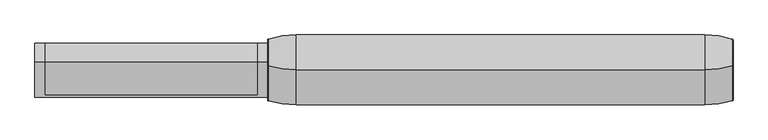
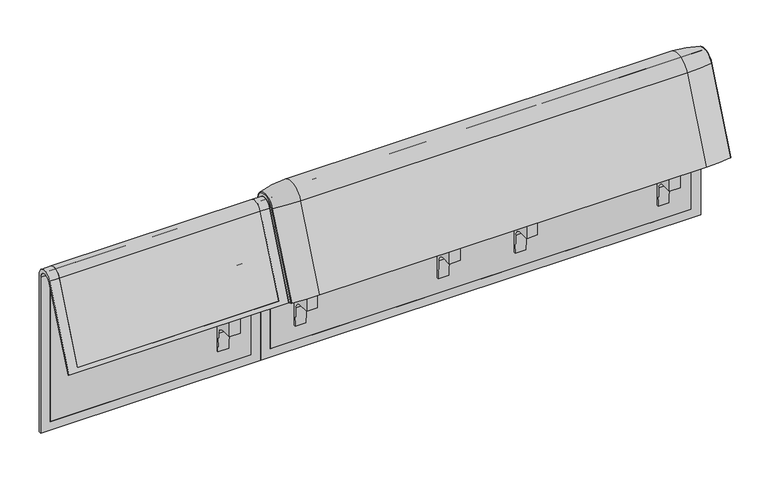
"""IFC4 building model written with IfcOpenShell, lengths in millimetres: furniture geometry."""

from ifc_helpers import new_model, si_unit, point, frame, frame_2d, origin, place, context, project, spatial, polyline, circle_curve, ellipse_curve, trimmed, segment, composite_curve, outline, extrude, source, transform, mapped, element, save
from ifc_brep_helpers import plane_surface, cylinder_surface, revolved_surface, advanced_brep


def furniture_2529b10c(model_context):
    return source(origin(), model_context, "Body", "SolidModel", [
        extrude(outline(composite_curve([segment(trimmed(circle_curve(frame_2d((305.0000061, 379.9223263)), 30.0), [point((305.0000061, 349.9223263))], [point((335.0000061, 379.9223263))], True, "CARTESIAN"), True, "CONTINUOUS"), segment(polyline([(335.0000061, 379.9223263), (335.0000061, 515.0657595)]), True, "CONTINUOUS"), segment(trimmed(circle_curve(frame_2d((305.0000061, 515.0657595)), 30.0), [point((335.0000061, 515.0657595))], [point((316.7219399, 542.6809051))], True, "CARTESIAN"), True, "CONTINUOUS"), segment(polyline([(316.7219399, 542.6809051), (257.4911714, 567.8228747)]), True, "CONTINUOUS"), segment(trimmed(circle_curve(frame_2d((251.6302045, 554.0153019)), 15.0), [point((257.4911714, 567.8228747))], [point((238.0355877, 560.3545758))], True, "CARTESIAN"), True, "CONTINUOUS"), segment(polyline([(238.0355877, 560.3545758), (222.2725218, 526.5505721), (213.7507451, 529.5682915), (296.3054528, 724.0549949)]), True, "CONTINUOUS"), segment(trimmed(circle_curve(frame_2d((322.520748, 712.9272623)), 28.479258), [point((296.3054528, 724.0549949))], [point((351.0000061, 712.9272623))], False, "CARTESIAN"), True, "CONTINUOUS"), segment(polyline([(351.0000061, 712.9272623), (351.0000061, 197.0551771), (343.3075759, 197.0551771), (339.4064861, 271.492405)]), True, "CONTINUOUS"), segment(trimmed(circle_curve(frame_2d((309.4476, 269.9223263)), 30.0), [point((339.4064861, 271.492405))], [point((309.4476, 299.9223263))], True, "CARTESIAN"), True, "CONTINUOUS"), segment(polyline([(309.4476, 299.9223263), (270.0000061, 299.9223263), (270.0000061, 359.9223263), (275.0000061, 359.9223263)]), True, "CONTINUOUS"), segment(trimmed(circle_curve(frame_2d((285.0000061, 359.9223263)), 10.0), [point((275.0000061, 359.9223263))], [point((285.0000061, 349.9223263))], True, "CARTESIAN"), True, "CONTINUOUS"), segment(polyline([(285.0000061, 349.9223263), (305.0000061, 349.9223263)]), True, "CONTINUOUS")], self_intersect=False), holes=[composite_curve([segment(polyline([(337.5000061, 576.3274105), (337.5000061, 716.7072663)]), True, "CONTINUOUS"), segment(trimmed(circle_curve(frame_2d((322.5000061, 716.7072663)), 15.0), [point((337.5000061, 716.7072663))], [point((308.9053893, 723.0465402))], True, "CARTESIAN"), True, "CONTINUOUS"), segment(polyline([(308.9053893, 723.0465402), (253.6256191, 604.4986904)]), True, "CONTINUOUS"), segment(trimmed(circle_curve(frame_2d((271.7517748, 596.0463251)), 20.0), [point((253.6256191, 604.4986904))], [point((265.0756376, 577.1934953))], True, "CARTESIAN"), True, "CONTINUOUS"), segment(polyline([(265.0756376, 577.1934953), (314.1406626, 559.8186587)]), True, "CONTINUOUS"), segment(trimmed(circle_curve(frame_2d((319.9867182, 576.3274105)), 17.5132879), [point((314.1406626, 559.8186587))], [point((337.5000061, 576.3274105))], True, "CARTESIAN"), True, "CONTINUOUS")], self_intersect=False)]), frame((531.0195403, 0.0, 0.0), z_axis=(1.0, 0.0, 0.0), x_axis=(0.0, 1.0, 0.0)), (0.0, 0.0, 1.0), 40.0),
        extrude(outline(composite_curve([segment(trimmed(circle_curve(frame_2d((305.0000061, 379.9223263)), 30.0), [point((305.0000061, 349.9223263))], [point((335.0000061, 379.9223263))], True, "CARTESIAN"), True, "CONTINUOUS"), segment(polyline([(335.0000061, 379.9223263), (335.0000061, 515.0657595)]), True, "CONTINUOUS"), segment(trimmed(circle_curve(frame_2d((305.0000061, 515.0657595)), 30.0), [point((335.0000061, 515.0657595))], [point((316.7219399, 542.6809051))], True, "CARTESIAN"), True, "CONTINUOUS"), segment(polyline([(316.7219399, 542.6809051), (257.4911714, 567.8228747)]), True, "CONTINUOUS"), segment(trimmed(circle_curve(frame_2d((251.6302045, 554.0153019)), 15.0), [point((257.4911714, 567.8228747))], [point((238.0355877, 560.3545758))], True, "CARTESIAN"), True, "CONTINUOUS"), segment(polyline([(238.0355877, 560.3545758), (222.2725218, 526.5505721), (213.7507451, 529.5682915), (296.3054528, 724.0549949)]), True, "CONTINUOUS"), segment(trimmed(circle_curve(frame_2d((322.520748, 712.9272623)), 28.479258), [point((296.3054528, 724.0549949))], [point((351.0000061, 712.9272623))], False, "CARTESIAN"), True, "CONTINUOUS"), segment(polyline([(351.0000061, 712.9272623), (351.0000061, 197.0551771), (343.3075759, 197.0551771), (339.4064861, 271.492405)]), True, "CONTINUOUS"), segment(trimmed(circle_curve(frame_2d((309.4476, 269.9223263)), 30.0), [point((339.4064861, 271.492405))], [point((309.4476, 299.9223263))], True, "CARTESIAN"), True, "CONTINUOUS"), segment(polyline([(309.4476, 299.9223263), (270.0000061, 299.9223263), (270.0000061, 359.9223263), (275.0000061, 359.9223263)]), True, "CONTINUOUS"), segment(trimmed(circle_curve(frame_2d((285.0000061, 359.9223263)), 10.0), [point((275.0000061, 359.9223263))], [point((285.0000061, 349.9223263))], True, "CARTESIAN"), True, "CONTINUOUS"), segment(polyline([(285.0000061, 349.9223263), (305.0000061, 349.9223263)]), True, "CONTINUOUS")], self_intersect=False), holes=[composite_curve([segment(polyline([(337.5000061, 576.3274105), (337.5000061, 716.7072663)]), True, "CONTINUOUS"), segment(trimmed(circle_curve(frame_2d((322.5000061, 716.7072663)), 15.0), [point((337.5000061, 716.7072663))], [point((308.9053893, 723.0465402))], True, "CARTESIAN"), True, "CONTINUOUS"), segment(polyline([(308.9053893, 723.0465402), (253.6256191, 604.4986904)]), True, "CONTINUOUS"), segment(trimmed(circle_curve(frame_2d((271.7517748, 596.0463251)), 20.0), [point((253.6256191, 604.4986904))], [point((265.0756376, 577.1934953))], True, "CARTESIAN"), True, "CONTINUOUS"), segment(polyline([(265.0756376, 577.1934953), (314.1406626, 559.8186587)]), True, "CONTINUOUS"), segment(trimmed(circle_curve(frame_2d((319.9867182, 576.3274105)), 17.5132879), [point((314.1406626, 559.8186587))], [point((337.5000061, 576.3274105))], True, "CARTESIAN"), True, "CONTINUOUS")], self_intersect=False)]), frame((1061.0091339, 0.0, 0.0), z_axis=(1.0, 0.0, 0.0), x_axis=(0.0, 1.0, 0.0)), (0.0, 0.0, 1.0), 40.0),
        advanced_brep(
        [(1224.0215056, 351.0000061, 101.8476716), (1224.0215056, 359.7858817, 101.8476716), (1224.0215056, 359.7858817, 720.3417731), (1224.0215056, 292.4403877, 733.7122262), (1224.0215056, 170.1966807, 437.98305), (1224.0215056, 175.0204081, 435.9866665), (1224.0215056, 296.2458652, 723.9869215), (1224.0215056, 351.0000061, 712.9272623), (-407.9740803, 351.0000061, 101.8476716), (-407.9740803, 351.0000061, 712.9272623), (-407.9740803, 296.2720241, 723.9759107), (-407.9740803, 175.0204081, 435.9866665), (-407.9740803, 170.1966807, 437.98305), (-407.9740803, 292.4403877, 733.7122262), (-407.9740803, 359.7858817, 720.3417731), (-407.9740803, 359.7858817, 101.8476716), (1189.1049615, 292.4403877, 733.7122262), (1189.1049615, 176.0980387, 452.25948), (-373.0906244, 176.0980387, 452.25948), (-373.0906244, 292.4403877, 733.7122262), (-373.0906244, 296.2458652, 723.9869215), (-373.0906244, 181.0136548, 450.2250668), (1189.1049615, 181.0136548, 450.2250668), (1189.1049615, 296.2458652, 723.9869215), (1189.1049615, 351.0000061, 712.9272623), (1189.1049615, 351.0000061, 135.3766997), (-373.0906244, 351.0000061, 135.3766997), (-373.0906244, 351.0000061, 712.9272623), (-373.0906244, 359.7858817, 720.3417731), (-373.0906244, 359.7858817, 135.3766997), (1189.1049615, 359.7858817, 135.3766997), (1189.1049615, 359.7858817, 720.3417731)],
        [
            (0, 1),
            (1, 2),
            (2, 3, circle_curve(frame((1224.0215056, 324.7858817, 720.3417731), z_axis=(1.0, 0.0, 0.0), x_axis=(0.0, -1.0, 0.0)), 35.0)),
            (3, 4),
            (4, 5),
            (5, 6),
            (6, 7, circle_curve(frame((1224.0215056, 322.520748, 712.9272623), z_axis=(-1.0, 0.0, 0.0), x_axis=(0.0, -1.0, 0.0)), 28.479258)),
            (7, 0),
            (8, 9),
            (9, 10, circle_curve(frame((-407.9740803, 322.520748, 712.9272623), z_axis=(1.0, 0.0, 0.0), x_axis=(0.0, -1.0, 0.0)), 28.479258)),
            (10, 11),
            (11, 12),
            (12, 13),
            (13, 14, circle_curve(frame((-407.9740803, 324.7858817, 720.3417731), z_axis=(-1.0, 0.0, 0.0), x_axis=(0.0, -1.0, 0.0)), 35.0)),
            (14, 15),
            (15, 8),
            (3, 16),
            (16, 17),
            (17, 18),
            (18, 19),
            (19, 13),
            (12, 4),
            (11, 5),
            (10, 20),
            (20, 21),
            (21, 22),
            (22, 23),
            (23, 6),
            (7, 24),
            (24, 25),
            (25, 26),
            (26, 27),
            (27, 9),
            (8, 0),
            (15, 1),
            (14, 28),
            (28, 29),
            (29, 30),
            (30, 31),
            (31, 2),
            (31, 16, circle_curve(frame((1189.1049615, 324.7858817, 720.3417731), z_axis=(1.0, 0.0, 0.0), x_axis=(0.0, -1.0, 0.0)), 35.0)),
            (19, 28, circle_curve(frame((-373.0906244, 324.7858817, 720.3417731), z_axis=(-1.0, 0.0, 0.0), x_axis=(0.0, -1.0, 0.0)), 35.0)),
            (23, 24, circle_curve(frame((1189.1049615, 322.520748, 712.9272623), z_axis=(-1.0, 0.0, 0.0), x_axis=(0.0, -1.0, 0.0)), 28.479258)),
            (27, 20, circle_curve(frame((-373.0906244, 322.520748, 712.9272623), z_axis=(1.0, 0.0, 0.0), x_axis=(0.0, -1.0, 0.0)), 28.479258)),
            (22, 17),
            (30, 25),
            (26, 29),
            (18, 21),
        ],
        [
            plane_surface(frame((1224.0215056, 359.7858817, 101.8476716), z_axis=(1.0, 0.0, 0.0), x_axis=(0.0, 1.0, 0.0))),
            plane_surface(frame((-407.9740803, 359.7858817, 101.8476716), z_axis=(-1.0, 0.0, 0.0), x_axis=(0.0, -1.0, 0.0))),
            plane_surface(frame((1224.0215056, 292.4403877, 733.7122262), z_axis=(0.0, -0.9241569717933176, 0.3820129467515535), x_axis=(-1.0, 0.0, 0.0))),
            plane_surface(frame((1224.0215056, 170.1966807, 437.98305), z_axis=(0.0, -0.3824103944198279, -0.9239925812687414), x_axis=(-1.0, 0.0, 0.0))),
            plane_surface(frame((1224.0215056, 175.0204081, 435.9866665), z_axis=(0.0, 0.921678643444566, -0.3879542218073993), x_axis=(-1.0, 0.0, 0.0))),
            plane_surface(frame((1224.0215056, 351.0000061, 712.9272623), z_axis=(0.0, -1.0, 0.0), x_axis=(-1.0, 0.0, 0.0))),
            plane_surface(frame((1224.0215056, 351.0000061, 101.8476716), z_axis=(0.0, 0.0, -1.0), x_axis=(-1.0, 0.0, 0.0))),
            plane_surface(frame((1224.0215056, 359.7858817, 101.8476716), z_axis=(0.0, 1.0, 0.0), x_axis=(-1.0, 0.0, 0.0))),
            cylinder_surface(frame((-407.9740803, 324.7858817, 720.3417731), z_axis=(1.0, 0.0, 0.0), x_axis=(0.0, -1.0, 0.0)), 35.0),
            revolved_surface(polyline([(1189.1049615, 294.04149, 712.9272623), (1224.0215056, 294.04149, 712.9272623)]), (-407.9740803, 322.520748, 712.9272623), (-1.0, 0.0, 0.0)),
            revolved_surface(polyline([(-407.9740803, 294.04149, 712.9272623), (-373.0906244, 294.04149, 712.9272623)]), (-407.9740803, 322.520748, 712.9272623), (-1.0, 0.0, 0.0)),
            plane_surface(frame((1189.1049615, 359.7858817, 135.3766997), z_axis=(-1.0, 0.0, 0.0), x_axis=(0.0, 1.0, 0.0))),
            plane_surface(frame((-373.0906244, 359.7858817, 135.3766997), z_axis=(1.0, 0.0, 0.0), x_axis=(0.0, -1.0, 0.0))),
            plane_surface(frame((1189.1049615, 166.9120641, 456.0612553), z_axis=(0.0, 0.38241039441982605, 0.9239925812687422), x_axis=(-1.0, 0.0, 0.0))),
            plane_surface(frame((1189.1049615, 344.7858817, 135.3766997), z_axis=(0.0, 0.0, 1.0), x_axis=(-1.0, 0.0, 0.0))),
        ],
        [
            (0, [[1, 2, 3, 4, 5, 6, 7, 8]]),
            (1, [[9, 10, 11, 12, 13, 14, 15, 16]]),
            (2, [[-4, 17, 18, 19, 20, 21, -13, 22]]),
            (3, [[-5, -22, -12, 23]]),
            (4, [[-6, -23, -11, 24, 25, 26, 27, 28]]),
            (5, [[-8, 29, 30, 31, 32, 33, -9, 34]]),
            (6, [[-1, -34, -16, 35]]),
            (7, [[-2, -35, -15, 36, 37, 38, 39, 40]]),
            (8, [[-3, -40, 41, -17]]),
            (8, [[-14, -21, 42, -36]]),
            (9, [[-7, -28, 43, -29]]),
            (10, [[-10, -33, 44, -24]]),
            (11, [[45, -18, -41, -39, 46, -30, -43, -27]]),
            (12, [[47, -37, -42, -20, 48, -25, -44, -32]]),
            (13, [[-45, -26, -48, -19]]),
            (14, [[-46, -38, -47, -31]]),
        ],
    ),
        advanced_brep(
        [(1189.1049615, 351.0000061, 135.3766997), (1189.1049615, 359.7858817, 135.3766997), (1189.1049615, 359.7858817, 720.3417731), (1189.1049615, 292.4403877, 733.7122262), (1189.1049615, 176.0980387, 452.25948), (1189.1049615, 181.0136548, 450.2250668), (1189.1049615, 296.2458652, 723.9869215), (1189.1049615, 351.0000061, 712.9272623), (-373.0906244, 351.0000061, 135.3766997), (-373.0906244, 351.0000061, 712.9272623), (-373.0906244, 296.2720241, 723.9759107), (-373.0906244, 181.0136548, 450.2250668), (-373.0906244, 176.0980387, 452.25948), (-373.0906244, 292.4403877, 733.7122262), (-373.0906244, 359.7858817, 720.3417731), (-373.0906244, 359.7858817, 135.3766997)],
        [
            (0, 1),
            (1, 2),
            (2, 3, circle_curve(frame((1189.1049615, 324.7858817, 720.3417731), z_axis=(1.0, 0.0, 0.0), x_axis=(0.0, -1.0, 0.0)), 35.0)),
            (3, 4),
            (4, 5),
            (5, 6),
            (6, 7, circle_curve(frame((1189.1049615, 322.520748, 712.9272623), z_axis=(-1.0, 0.0, 0.0), x_axis=(0.0, -1.0, 0.0)), 28.479258)),
            (7, 0),
            (8, 9),
            (9, 10, circle_curve(frame((-373.0906244, 322.520748, 712.9272623), z_axis=(1.0, 0.0, 0.0), x_axis=(0.0, -1.0, 0.0)), 28.479258)),
            (10, 11),
            (11, 12),
            (12, 13),
            (13, 14, circle_curve(frame((-373.0906244, 324.7858817, 720.3417731), z_axis=(-1.0, 0.0, 0.0), x_axis=(0.0, -1.0, 0.0)), 35.0)),
            (14, 15),
            (15, 8),
            (3, 13),
            (12, 4),
            (11, 5),
            (10, 6),
            (7, 9),
            (8, 0),
            (15, 1),
            (14, 2),
        ],
        [
            plane_surface(frame((1189.1049615, 359.7858817, 135.3766997), z_axis=(1.0, 0.0, 0.0), x_axis=(0.0, 1.0, 0.0))),
            plane_surface(frame((-373.0906244, 359.7858817, 135.3766997), z_axis=(-1.0, 0.0, 0.0), x_axis=(0.0, -1.0, 0.0))),
            plane_surface(frame((1189.1049615, 292.4403877, 733.7122262), z_axis=(0.0, -0.9241569717933176, 0.3820129467515535), x_axis=(-1.0, 0.0, 0.0))),
            plane_surface(frame((1189.1049615, 176.0980387, 452.25948), z_axis=(0.0, -0.38241039441982716, -0.9239925812687417), x_axis=(-1.0, 0.0, 0.0))),
            plane_surface(frame((1189.1049615, 181.0136548, 450.2250668), z_axis=(0.0, 0.921678643444566, -0.3879542218073993), x_axis=(-1.0, 0.0, 0.0))),
            plane_surface(frame((1189.1049615, 351.0000061, 712.9272623), z_axis=(0.0, -1.0, 0.0), x_axis=(-1.0, 0.0, 0.0))),
            plane_surface(frame((1189.1049615, 351.0000061, 135.3766997), z_axis=(0.0, 0.0, -1.0), x_axis=(-1.0, 0.0, 0.0))),
            plane_surface(frame((1189.1049615, 359.7858817, 135.3766997), z_axis=(0.0, 1.0, 0.0), x_axis=(-1.0, 0.0, 0.0))),
            cylinder_surface(frame((-373.0906244, 324.7858817, 720.3417731), z_axis=(1.0, 0.0, 0.0), x_axis=(0.0, -1.0, 0.0)), 35.0),
            revolved_surface(polyline([(-373.0906244, 294.04149, 712.9272623), (1189.1049615, 294.04149, 712.9272623)]), (-373.0906244, 322.520748, 712.9272623), (-1.0, 0.0, 0.0)),
        ],
        [
            (0, [[1, 2, 3, 4, 5, 6, 7, 8]]),
            (1, [[9, 10, 11, 12, 13, 14, 15, 16]]),
            (2, [[-4, 17, -13, 18]]),
            (3, [[-5, -18, -12, 19]]),
            (4, [[-6, -19, -11, 20]]),
            (5, [[-8, 21, -9, 22]]),
            (6, [[-1, -22, -16, 23]]),
            (7, [[-2, -23, -15, 24]]),
            (8, [[-3, -24, -14, -17]]),
            (9, [[-7, -20, -10, -21]]),
        ],
    ),
        extrude(outline(composite_curve([segment(trimmed(circle_curve(frame_2d((305.0000061, 379.9223263)), 30.0), [point((305.0000061, 349.9223263))], [point((335.0000061, 379.9223263))], True, "CARTESIAN"), True, "CONTINUOUS"), segment(polyline([(335.0000061, 379.9223263), (335.0000061, 515.0657595)]), True, "CONTINUOUS"), segment(trimmed(circle_curve(frame_2d((305.0000061, 515.0657595)), 30.0), [point((335.0000061, 515.0657595))], [point((316.7219399, 542.6809051))], True, "CARTESIAN"), True, "CONTINUOUS"), segment(polyline([(316.7219399, 542.6809051), (257.4911714, 567.8228747)]), True, "CONTINUOUS"), segment(trimmed(circle_curve(frame_2d((251.6302045, 554.0153019)), 15.0), [point((257.4911714, 567.8228747))], [point((238.0355877, 560.3545758))], True, "CARTESIAN"), True, "CONTINUOUS"), segment(polyline([(238.0355877, 560.3545758), (222.2725218, 526.5505721), (213.7507451, 529.5682915), (296.3054528, 724.0549949)]), True, "CONTINUOUS"), segment(trimmed(circle_curve(frame_2d((322.520748, 712.9272623)), 28.479258), [point((296.3054528, 724.0549949))], [point((351.0000061, 712.9272623))], False, "CARTESIAN"), True, "CONTINUOUS"), segment(polyline([(351.0000061, 712.9272623), (351.0000061, 197.0551771), (343.3075759, 197.0551771), (339.4064861, 271.492405)]), True, "CONTINUOUS"), segment(trimmed(circle_curve(frame_2d((309.4476, 269.9223263)), 30.0), [point((339.4064861, 271.492405))], [point((309.4476, 299.9223263))], True, "CARTESIAN"), True, "CONTINUOUS"), segment(polyline([(309.4476, 299.9223263), (270.0000061, 299.9223263), (270.0000061, 359.9223263), (275.0000061, 359.9223263)]), True, "CONTINUOUS"), segment(trimmed(circle_curve(frame_2d((285.0000061, 359.9223263)), 10.0), [point((275.0000061, 359.9223263))], [point((285.0000061, 349.9223263))], True, "CARTESIAN"), True, "CONTINUOUS"), segment(polyline([(285.0000061, 349.9223263), (305.0000061, 349.9223263)]), True, "CONTINUOUS")], self_intersect=False), holes=[composite_curve([segment(polyline([(337.5000061, 576.3274105), (337.5000061, 716.7072663)]), True, "CONTINUOUS"), segment(trimmed(circle_curve(frame_2d((322.5000061, 716.7072663)), 15.0), [point((337.5000061, 716.7072663))], [point((308.9053893, 723.0465402))], True, "CARTESIAN"), True, "CONTINUOUS"), segment(polyline([(308.9053893, 723.0465402), (253.6256191, 604.4986904)]), True, "CONTINUOUS"), segment(trimmed(circle_curve(frame_2d((271.7517748, 596.0463251)), 20.0), [point((253.6256191, 604.4986904))], [point((265.0756376, 577.1934953))], True, "CARTESIAN"), True, "CONTINUOUS"), segment(polyline([(265.0756376, 577.1934953), (314.1406626, 559.8186587)]), True, "CONTINUOUS"), segment(trimmed(circle_curve(frame_2d((319.9867182, 576.3274105)), 17.5132879), [point((314.1406626, 559.8186587))], [point((337.5000061, 576.3274105))], True, "CARTESIAN"), True, "CONTINUOUS")], self_intersect=False)]), frame((244.9947968, 0.0, 0.0), z_axis=(1.0, 0.0, 0.0), x_axis=(0.0, 1.0, 0.0)), (0.0, 0.0, 1.0), 40.0),
        advanced_brep(
        [(1124.0215056, 388.2902376, 100.5089435), (1221.8828771, 373.93893, 100.5089435), (1224.0215056, 371.0652495, 100.5089435), (1224.0215056, 359.7858817, 100.5089435), (-408.0071685, 359.7858817, 100.5089435), (-408.0071685, 371.0652495, 100.5089435), (-405.86854, 373.93893, 100.5089435), (-308.0071685, 388.2902376, 100.5089435), (-308.0071685, 388.2902376, 720.3417731), (1124.0215056, 388.2902376, 720.3417731), (1221.8828771, 373.93893, 720.3417731), (1224.0215056, 371.0652495, 720.3417731), (1224.0215056, 282.0164812, 738.0210907), (1224.0215056, 159.7723383, 442.2908598), (1224.0215056, 170.1962447, 437.9819952), (1224.0215056, 292.4403877, 733.7122262), (1224.0215056, 359.7858817, 720.3417731), (-408.0071685, 359.7858817, 720.3417731), (1124.0215056, 143.8537454, 448.8710282), (-308.0071685, 143.8537454, 448.8710282), (-405.86854, 157.1166065, 443.3886429), (-408.0071685, 159.7723383, 442.2908598), (-408.0071685, 170.1962447, 437.9819952), (1221.8828771, 157.1166065, 443.3886429), (1124.0215056, 266.0978884, 744.6012592), (-308.0071685, 266.0978884, 744.6012592), (1221.8828771, 279.3607494, 739.1188739), (-408.0071685, 292.4403877, 733.7122262), (-408.0071685, 282.0164812, 738.0210907), (-408.0071685, 371.0652495, 720.3417731), (-405.86854, 373.93893, 720.3417731), (-405.86854, 279.3607494, 739.1188739)],
        [
            (0, 1, circle_curve(frame((1124.0215056, 47.4569043, 100.5089435), z_axis=(0.0, 0.0, -1.0), x_axis=(0.0, -1.0, 0.0)), 340.8333333)),
            (1, 2, circle_curve(frame((1221.0215056, 371.0652495, 100.5089435), z_axis=(0.0, 0.0, -1.0), x_axis=(1.0, 0.0, 0.0)), 3.0)),
            (2, 3),
            (3, 4),
            (4, 5),
            (5, 6, circle_curve(frame((-405.0071685, 371.0652495, 100.5089435), z_axis=(0.0, 0.0, -1.0), x_axis=(-1.0, 0.0, 0.0)), 3.0)),
            (6, 7, circle_curve(frame((-308.0071685, 47.4569043, 100.5089435), z_axis=(0.0, 0.0, -1.0), x_axis=(0.0, -1.0, 0.0)), 340.8333333)),
            (7, 0),
            (7, 8),
            (8, 9),
            (9, 0),
            (9, 10, circle_curve(frame((1124.0215056, 47.4569043, 720.3417731), z_axis=(0.0, 0.0, -1.0), x_axis=(0.0, -1.0, 0.0)), 340.8333333)),
            (10, 1),
            (10, 11, circle_curve(frame((1221.0215056, 371.0652495, 720.3417731), z_axis=(0.0, 0.0, -1.0), x_axis=(1.0, 0.0, 0.0)), 3.0)),
            (11, 2),
            (11, 12, circle_curve(frame((1224.0215056, 324.7858817, 720.3417731), z_axis=(1.0, 0.0, 0.0), x_axis=(0.0, 1.0, 0.0)), 46.2793679)),
            (12, 13),
            (13, 14),
            (14, 15),
            (15, 16, circle_curve(frame((1224.0215056, 324.7858817, 720.3417731), z_axis=(-1.0, 0.0, 0.0), x_axis=(0.0, 1.0, 0.0)), 35.0)),
            (16, 3),
            (16, 17),
            (17, 4),
            (18, 19),
            (19, 20, circle_curve(frame((-308.0071685, 458.8372467, 318.6682822), z_axis=(0.0, -0.38201294675155345, -0.9241569717933176), x_axis=(0.0, 0.9241569717933176, -0.38201294675155345)), 340.8333333)),
            (20, 21, circle_curve(frame((-405.0071685, 159.7723383, 442.2908598), z_axis=(0.0, -0.38201294675155345, -0.9241569717933176), x_axis=(-1.0, 0.0, 0.0)), 3.0)),
            (21, 22),
            (22, 14),
            (13, 23, circle_curve(frame((1221.0215056, 159.7723383, 442.2908598), z_axis=(0.0, -0.38201294675155345, -0.9241569717933176), x_axis=(1.0, 0.0, 0.0)), 3.0)),
            (23, 18, circle_curve(frame((1124.0215056, 458.8372467, 318.6682822), z_axis=(0.0, -0.38201294675155345, -0.9241569717933176), x_axis=(0.0, 0.9241569717933176, -0.38201294675155345)), 340.8333333)),
            (24, 9, circle_curve(frame((1124.0215056, 324.7858817, 720.3417731), z_axis=(-1.0, 0.0, 0.0), x_axis=(0.0, 1.0, 0.0)), 63.5043559)),
            (8, 25, circle_curve(frame((-308.0071685, 324.7858817, 720.3417731), z_axis=(1.0, 0.0, 0.0), x_axis=(0.0, 1.0, 0.0)), 63.5043559)),
            (25, 24),
            (26, 10, circle_curve(frame((1221.8828771, 324.7858817, 720.3417731), z_axis=(-1.0, 0.0, 0.0), x_axis=(0.0, 1.0, 0.0)), 49.1530483)),
            (24, 26, circle_curve(frame((1124.0215056, 581.0813896, 614.3985132), z_axis=(0.0, 0.3820129467515556, 0.9241569717933167), x_axis=(0.0, 0.9241569717933167, -0.3820129467515556)), 340.8333333)),
            (26, 12, circle_curve(frame((1221.0215056, 282.0164812, 738.0210907), z_axis=(0.0, 0.3820129467515548, 0.924156971793317), x_axis=(1.0, 0.0, 0.0)), 3.0)),
            (27, 17, circle_curve(frame((-408.0071685, 324.7858817, 720.3417731), z_axis=(-1.0, 0.0, 0.0), x_axis=(0.0, 1.0, 0.0)), 35.0)),
            (15, 27),
            (25, 19),
            (18, 24),
            (23, 26),
            (22, 27),
            (21, 28),
            (28, 29, circle_curve(frame((-408.0071685, 324.7858817, 720.3417731), z_axis=(-1.0, 0.0, 0.0), x_axis=(0.0, 1.0, 0.0)), 46.2793679)),
            (29, 5),
            (29, 30, circle_curve(frame((-405.0071685, 371.0652495, 720.3417731), z_axis=(0.0, 0.0, -1.0), x_axis=(-1.0, 0.0, 0.0)), 3.0)),
            (30, 6),
            (30, 8, circle_curve(frame((-308.0071685, 47.4569043, 720.3417731), z_axis=(0.0, 0.0, -1.0), x_axis=(0.0, -1.0, 0.0)), 340.8333333)),
            (31, 30, circle_curve(frame((-405.86854, 324.7858817, 720.3417731), z_axis=(-1.0, 0.0, 0.0), x_axis=(0.0, 1.0, 0.0)), 49.1530483)),
            (28, 31, circle_curve(frame((-405.0071685, 282.0164812, 738.0210907), z_axis=(0.0, 0.382012946751554, 0.9241569717933174), x_axis=(-1.0, 0.0, 0.0)), 3.0)),
            (31, 25, circle_curve(frame((-308.0071685, 581.0813896, 614.3985132), z_axis=(0.0, 0.382012946751554, 0.9241569717933174), x_axis=(0.0, 0.9241569717933174, -0.382012946751554)), 340.8333333)),
            (20, 31),
        ],
        [
            plane_surface(frame((4.7650232, 359.7858817, 100.5089435), z_axis=(0.0, 0.0, -1.0), x_axis=(1.0, 0.0, 0.0))),
            plane_surface(frame((-308.0071685, 388.2902376, 100.5089435), z_axis=(0.0, 1.0, 0.0), x_axis=(0.0, 0.0, 1.0))),
            cylinder_surface(frame((1124.0215056, 47.4569043, 100.5089435), z_axis=(0.0, 0.0, -1.0), x_axis=(0.0, -1.0, 0.0)), 340.8333333),
            cylinder_surface(frame((1221.0215056, 371.0652495, 100.5089435), z_axis=(0.0, 0.0, -1.0), x_axis=(1.0, 0.0, 0.0)), 3.0),
            plane_surface(frame((1224.0215056, 371.0652495, 100.5089435), z_axis=(1.0, 0.0, 0.0), x_axis=(0.0, 0.0, 1.0))),
            plane_surface(frame((1224.0215056, 359.7858817, 100.5089435), z_axis=(0.0, -1.0, 0.0), x_axis=(0.0, 0.0, 1.0))),
            plane_surface(frame((4.7650232, 170.1962447, 437.9819952), z_axis=(0.0, -0.38201294675155345, -0.9241569717933176), x_axis=(1.0, 0.0, 0.0))),
            cylinder_surface(frame((4.7650232, 324.7858817, 720.3417731), z_axis=(1.0, 0.0, 0.0), x_axis=(0.0, 1.0, 0.0)), 63.5043559),
            revolved_surface(trimmed(ellipse_curve(frame((1124.0215056, 47.4569043, 720.3417731), z_axis=(0.0, 0.0, -1.0), x_axis=(0.0, -1.0, 0.0)), 340.8333333, 340.8333333), [point((1124.0215056, 388.2902376, 720.3417731))], [point((1221.8828771, 373.93893, 720.3417731))], True, "CARTESIAN"), (4.7650232, 324.7858817, 720.3417731), (1.0, 0.0, 0.0)),
            revolved_surface(trimmed(ellipse_curve(frame((1221.0215056, 371.0652495, 720.3417731), z_axis=(0.0, 0.0, -1.0), x_axis=(1.0, 0.0, 0.0)), 3.0, 3.0), [point((1221.8828771, 373.93893, 720.3417731))], [point((1224.0215056, 371.0652495, 720.3417731))], True, "CARTESIAN"), (4.7650232, 324.7858817, 720.3417731), (1.0, 0.0, 0.0)),
            revolved_surface(polyline([(1224.0215056, 359.7858817, 720.3417731), (-408.0071685, 359.7858817, 720.3417731)]), (4.7650232, 324.7858817, 720.3417731), (1.0, 0.0, 0.0)),
            plane_surface(frame((-308.0071685, 266.0978884, 744.6012592), z_axis=(0.0, -0.9241569717933174, 0.38201294675155406), x_axis=(0.0, -0.38201294675155406, -0.9241569717933174))),
            cylinder_surface(frame((1124.0215056, 581.0813896, 614.3985132), z_axis=(0.0, 0.38201294675155345, 0.9241569717933176), x_axis=(0.0, 0.9241569717933176, -0.38201294675155345)), 340.8333333),
            cylinder_surface(frame((1221.0215056, 282.0164812, 738.0210907), z_axis=(0.0, 0.38201294675155345, 0.9241569717933176), x_axis=(1.0, 0.0, 0.0)), 3.0),
            plane_surface(frame((1224.0215056, 292.4403877, 733.7122262), z_axis=(0.0, 0.9241569717933175, -0.3820129467515539), x_axis=(0.0, -0.3820129467515539, -0.9241569717933175))),
            plane_surface(frame((-408.0071685, 359.7858817, 100.5089435), z_axis=(-1.0, 0.0, 0.0), x_axis=(0.0, 0.0, 1.0))),
            cylinder_surface(frame((-405.0071685, 371.0652495, 100.5089435), z_axis=(0.0, 0.0, -1.0), x_axis=(-1.0, 0.0, 0.0)), 3.0),
            cylinder_surface(frame((-308.0071685, 47.4569043, 100.5089435), z_axis=(0.0, 0.0, -1.0), x_axis=(0.0, -1.0, 0.0)), 340.8333333),
            revolved_surface(trimmed(ellipse_curve(frame((-405.0071685, 371.0652495, 720.3417731), z_axis=(0.0, 0.0, -1.0), x_axis=(-1.0, 0.0, 0.0)), 3.0, 3.0), [point((-408.0071685, 371.0652495, 720.3417731))], [point((-405.86854, 373.93893, 720.3417731))], True, "CARTESIAN"), (4.7650232, 324.7858817, 720.3417731), (1.0, 0.0, 0.0)),
            revolved_surface(trimmed(ellipse_curve(frame((-308.0071685, 47.4569043, 720.3417731), z_axis=(0.0, 0.0, -1.0), x_axis=(0.0, -1.0, 0.0)), 340.8333333, 340.8333333), [point((-405.86854, 373.93893, 720.3417731))], [point((-308.0071685, 388.2902376, 720.3417731))], True, "CARTESIAN"), (4.7650232, 324.7858817, 720.3417731), (1.0, 0.0, 0.0)),
            cylinder_surface(frame((-405.0071685, 282.0164812, 738.0210907), z_axis=(0.0, 0.38201294675155345, 0.9241569717933176), x_axis=(-1.0, 0.0, 0.0)), 3.0),
            cylinder_surface(frame((-308.0071685, 581.0813896, 614.3985132), z_axis=(0.0, 0.38201294675155345, 0.9241569717933176), x_axis=(0.0, 0.9241569717933176, -0.38201294675155345)), 340.8333333),
        ],
        [
            (0, [[1, 2, 3, 4, 5, 6, 7, 8]]),
            (1, [[-8, 9, 10, 11]]),
            (2, [[-1, -11, 12, 13]]),
            (3, [[-2, -13, 14, 15]]),
            (4, [[-3, -15, 16, 17, 18, 19, 20, 21]]),
            (5, [[-4, -21, 22, 23]]),
            (6, [[24, 25, 26, 27, 28, -18, 29, 30]]),
            (7, [[31, -10, 32, 33]]),
            (8, [[34, -12, -31, 35]]),
            (9, [[-16, -14, -34, 36]]),
            (10, [[37, -22, -20, 38]]),
            (11, [[-33, 39, -24, 40]]),
            (12, [[-35, -40, -30, 41]]),
            (13, [[-36, -41, -29, -17]]),
            (14, [[-38, -19, -28, 42]]),
            (15, [[-5, -23, -37, -42, -27, 43, 44, 45]]),
            (16, [[-6, -45, 46, 47]]),
            (17, [[-7, -47, 48, -9]]),
            (18, [[49, -46, -44, 50]]),
            (19, [[-32, -48, -49, 51]]),
            (20, [[-50, -43, -26, 52]]),
            (21, [[-51, -52, -25, -39]]),
        ],
    ),
        extrude(outline(composite_curve([segment(trimmed(circle_curve(frame_2d((305.0000061, 379.9223263)), 30.0), [point((305.0000061, 349.9223263))], [point((335.0000061, 379.9223263))], True, "CARTESIAN"), True, "CONTINUOUS"), segment(polyline([(335.0000061, 379.9223263), (335.0000061, 515.0657595)]), True, "CONTINUOUS"), segment(trimmed(circle_curve(frame_2d((305.0000061, 515.0657595)), 30.0), [point((335.0000061, 515.0657595))], [point((316.7219399, 542.6809051))], True, "CARTESIAN"), True, "CONTINUOUS"), segment(polyline([(316.7219399, 542.6809051), (257.4911714, 567.8228747)]), True, "CONTINUOUS"), segment(trimmed(circle_curve(frame_2d((251.6302045, 554.0153019)), 15.0), [point((257.4911714, 567.8228747))], [point((238.0355877, 560.3545758))], True, "CARTESIAN"), True, "CONTINUOUS"), segment(polyline([(238.0355877, 560.3545758), (222.2725218, 526.5505721), (213.7507451, 529.5682915), (296.3054528, 724.0549949)]), True, "CONTINUOUS"), segment(trimmed(circle_curve(frame_2d((322.520748, 712.9272623)), 28.479258), [point((296.3054528, 724.0549949))], [point((351.0000061, 712.9272623))], False, "CARTESIAN"), True, "CONTINUOUS"), segment(polyline([(351.0000061, 712.9272623), (351.0000061, 197.0551771), (343.3075759, 197.0551771), (339.4064861, 271.492405)]), True, "CONTINUOUS"), segment(trimmed(circle_curve(frame_2d((309.4476, 269.9223263)), 30.0), [point((339.4064861, 271.492405))], [point((309.4476, 299.9223263))], True, "CARTESIAN"), True, "CONTINUOUS"), segment(polyline([(309.4476, 299.9223263), (270.0000061, 299.9223263), (270.0000061, 359.9223263), (275.0000061, 359.9223263)]), True, "CONTINUOUS"), segment(trimmed(circle_curve(frame_2d((285.0000061, 359.9223263)), 10.0), [point((275.0000061, 359.9223263))], [point((285.0000061, 349.9223263))], True, "CARTESIAN"), True, "CONTINUOUS"), segment(polyline([(285.0000061, 349.9223263), (305.0000061, 349.9223263)]), True, "CONTINUOUS")], self_intersect=False), holes=[composite_curve([segment(polyline([(337.5000061, 576.3274105), (337.5000061, 716.7072663)]), True, "CONTINUOUS"), segment(trimmed(circle_curve(frame_2d((322.5000061, 716.7072663)), 15.0), [point((337.5000061, 716.7072663))], [point((308.9053893, 723.0465402))], True, "CARTESIAN"), True, "CONTINUOUS"), segment(polyline([(308.9053893, 723.0465402), (253.6256191, 604.4986904)]), True, "CONTINUOUS"), segment(trimmed(circle_curve(frame_2d((271.7517748, 596.0463251)), 20.0), [point((253.6256191, 604.4986904))], [point((265.0756376, 577.1934953))], True, "CARTESIAN"), True, "CONTINUOUS"), segment(polyline([(265.0756376, 577.1934953), (314.1406626, 559.8186587)]), True, "CONTINUOUS"), segment(trimmed(circle_curve(frame_2d((319.9867182, 576.3274105)), 17.5132879), [point((314.1406626, 559.8186587))], [point((337.5000061, 576.3274105))], True, "CARTESIAN"), True, "CONTINUOUS")], self_intersect=False)]), frame((-284.9947968, 0.0, 0.0), z_axis=(1.0, 0.0, 0.0), x_axis=(0.0, 1.0, 0.0)), (0.0, 0.0, 1.0), 40.0),
        advanced_brep(
        [(-407.9740803, 351.0000061, 101.8476716), (-407.9740803, 359.7858817, 101.8476716), (-407.9740803, 359.7858817, 720.3417731), (-407.9740803, 292.4403877, 733.7122262), (-407.9740803, 170.1966807, 437.98305), (-407.9740803, 175.0204081, 435.9866665), (-407.9740803, 296.2458652, 723.9869215), (-407.9740803, 351.0000061, 712.9272623), (-1223.9553291, 351.0000061, 101.8476716), (-1223.9553291, 351.0000061, 712.9272623), (-1223.9553291, 296.2720241, 723.9759107), (-1223.9553291, 175.0204081, 435.9866665), (-1223.9553291, 170.1966807, 437.98305), (-1223.9553291, 292.4403877, 733.7122262), (-1223.9553291, 359.7858817, 720.3417731), (-1223.9553291, 359.7858817, 101.8476716), (-442.8906244, 292.4403877, 733.7122262), (-442.8906244, 176.0980387, 452.25948), (-1189.0718733, 176.0980387, 452.25948), (-1189.0718733, 292.4403877, 733.7122262), (-1189.0718733, 296.2458652, 723.9869215), (-1189.0718733, 181.0136548, 450.2250668), (-442.8906244, 181.0136548, 450.2250668), (-442.8906244, 296.2458652, 723.9869215), (-442.8906244, 351.0000061, 712.9272623), (-442.8906244, 351.0000061, 135.3766997), (-1189.0718733, 351.0000061, 135.3766997), (-1189.0718733, 351.0000061, 712.9272623), (-1189.0718733, 359.7858817, 720.3417731), (-1189.0718733, 359.7858817, 135.3766997), (-442.8906244, 359.7858817, 135.3766997), (-442.8906244, 359.7858817, 720.3417731)],
        [
            (0, 1),
            (1, 2),
            (2, 3, circle_curve(frame((-407.9740803, 324.7858817, 720.3417731), z_axis=(1.0, 0.0, 0.0), x_axis=(0.0, -1.0, 0.0)), 35.0)),
            (3, 4),
            (4, 5),
            (5, 6),
            (6, 7, circle_curve(frame((-407.9740803, 322.520748, 712.9272623), z_axis=(-1.0, 0.0, 0.0), x_axis=(0.0, -1.0, 0.0)), 28.479258)),
            (7, 0),
            (8, 9),
            (9, 10, circle_curve(frame((-1223.9553291, 322.520748, 712.9272623), z_axis=(1.0, 0.0, 0.0), x_axis=(0.0, -1.0, 0.0)), 28.479258)),
            (10, 11),
            (11, 12),
            (12, 13),
            (13, 14, circle_curve(frame((-1223.9553291, 324.7858817, 720.3417731), z_axis=(-1.0, 0.0, 0.0), x_axis=(0.0, -1.0, 0.0)), 35.0)),
            (14, 15),
            (15, 8),
            (3, 16),
            (16, 17),
            (17, 18),
            (18, 19),
            (19, 13),
            (12, 4),
            (11, 5),
            (10, 20),
            (20, 21),
            (21, 22),
            (22, 23),
            (23, 6),
            (7, 24),
            (24, 25),
            (25, 26),
            (26, 27),
            (27, 9),
            (8, 0),
            (15, 1),
            (14, 28),
            (28, 29),
            (29, 30),
            (30, 31),
            (31, 2),
            (31, 16, circle_curve(frame((-442.8906244, 324.7858817, 720.3417731), z_axis=(1.0, 0.0, 0.0), x_axis=(0.0, -1.0, 0.0)), 35.0)),
            (19, 28, circle_curve(frame((-1189.0718733, 324.7858817, 720.3417731), z_axis=(-1.0, 0.0, 0.0), x_axis=(0.0, -1.0, 0.0)), 35.0)),
            (23, 24, circle_curve(frame((-442.8906244, 322.520748, 712.9272623), z_axis=(-1.0, 0.0, 0.0), x_axis=(0.0, -1.0, 0.0)), 28.479258)),
            (27, 20, circle_curve(frame((-1189.0718733, 322.520748, 712.9272623), z_axis=(1.0, 0.0, 0.0), x_axis=(0.0, -1.0, 0.0)), 28.479258)),
            (22, 17),
            (30, 25),
            (26, 29),
            (18, 21),
        ],
        [
            plane_surface(frame((-407.9740803, 359.7858817, 101.8476716), z_axis=(1.0, 0.0, 0.0), x_axis=(0.0, 1.0, 0.0))),
            plane_surface(frame((-1223.9553291, 359.7858817, 101.8476716), z_axis=(-1.0, 0.0, 0.0), x_axis=(0.0, -1.0, 0.0))),
            plane_surface(frame((-407.9740803, 292.4403877, 733.7122262), z_axis=(0.0, -0.9241569717933176, 0.3820129467515535), x_axis=(-1.0, 0.0, 0.0))),
            plane_surface(frame((-407.9740803, 170.1966807, 437.98305), z_axis=(0.0, -0.38241039441983893, -0.9239925812687368), x_axis=(-1.0, 0.0, 0.0))),
            plane_surface(frame((-407.9740803, 175.0204081, 435.9866665), z_axis=(0.0, 0.921678643444566, -0.3879542218073993), x_axis=(-1.0, 0.0, 0.0))),
            plane_surface(frame((-407.9740803, 351.0000061, 712.9272623), z_axis=(0.0, -1.0, 0.0), x_axis=(-1.0, 0.0, 0.0))),
            plane_surface(frame((-407.9740803, 351.0000061, 101.8476716), z_axis=(0.0, 0.0, -1.0), x_axis=(-1.0, 0.0, 0.0))),
            plane_surface(frame((-407.9740803, 359.7858817, 101.8476716), z_axis=(0.0, 1.0, 0.0), x_axis=(-1.0, 0.0, 0.0))),
            cylinder_surface(frame((-1223.9553291, 324.7858817, 720.3417731), z_axis=(1.0, 0.0, 0.0), x_axis=(0.0, -1.0, 0.0)), 35.0),
            revolved_surface(polyline([(-442.8906244, 294.04149, 712.9272623), (-407.97408029999997, 294.04149, 712.9272623)]), (-1223.9553291, 322.520748, 712.9272623), (-1.0, 0.0, 0.0)),
            revolved_surface(polyline([(-1223.9553291, 294.04149, 712.9272623), (-1189.0718733, 294.04149, 712.9272623)]), (-1223.9553291, 322.520748, 712.9272623), (-1.0, 0.0, 0.0)),
            plane_surface(frame((-442.8906244, 359.7858817, 135.3766997), z_axis=(-1.0, 0.0, 0.0), x_axis=(0.0, 1.0, 0.0))),
            plane_surface(frame((-1189.0718733, 359.7858817, 135.3766997), z_axis=(1.0, 0.0, 0.0), x_axis=(0.0, -1.0, 0.0))),
            plane_surface(frame((-442.8906244, 166.9120641, 456.0612553), z_axis=(0.0, 0.38241039441982605, 0.9239925812687422), x_axis=(-1.0, 0.0, 0.0))),
            plane_surface(frame((-442.8906244, 344.7858817, 135.3766997), z_axis=(0.0, 0.0, 1.0), x_axis=(-1.0, 0.0, 0.0))),
        ],
        [
            (0, [[1, 2, 3, 4, 5, 6, 7, 8]]),
            (1, [[9, 10, 11, 12, 13, 14, 15, 16]]),
            (2, [[-4, 17, 18, 19, 20, 21, -13, 22]]),
            (3, [[-5, -22, -12, 23]]),
            (4, [[-6, -23, -11, 24, 25, 26, 27, 28]]),
            (5, [[-8, 29, 30, 31, 32, 33, -9, 34]]),
            (6, [[-1, -34, -16, 35]]),
            (7, [[-2, -35, -15, 36, 37, 38, 39, 40]]),
            (8, [[-3, -40, 41, -17]]),
            (8, [[-14, -21, 42, -36]]),
            (9, [[-7, -28, 43, -29]]),
            (10, [[-10, -33, 44, -24]]),
            (11, [[45, -18, -41, -39, 46, -30, -43, -27]]),
            (12, [[47, -37, -42, -20, 48, -25, -44, -32]]),
            (13, [[-45, -26, -48, -19]]),
            (14, [[-46, -38, -47, -31]]),
        ],
    ),
        advanced_brep(
        [(-442.8906244, 351.0000061, 135.3766997), (-442.8906244, 359.7858817, 135.3766997), (-442.8906244, 359.7858817, 720.3417731), (-442.8906244, 292.4403877, 733.7122262), (-442.8906244, 176.0980387, 452.25948), (-442.8906244, 181.0136548, 450.2250668), (-442.8906244, 296.2458652, 723.9869215), (-442.8906244, 351.0000061, 712.9272623), (-1189.0718733, 351.0000061, 135.3766997), (-1189.0718733, 351.0000061, 712.9272623), (-1189.0718733, 296.2720241, 723.9759107), (-1189.0718733, 181.0136548, 450.2250668), (-1189.0718733, 176.0980387, 452.25948), (-1189.0718733, 292.4403877, 733.7122262), (-1189.0718733, 359.7858817, 720.3417731), (-1189.0718733, 359.7858817, 135.3766997)],
        [
            (0, 1),
            (1, 2),
            (2, 3, circle_curve(frame((-442.8906244, 324.7858817, 720.3417731), z_axis=(1.0, 0.0, 0.0), x_axis=(0.0, -1.0, 0.0)), 35.0)),
            (3, 4),
            (4, 5),
            (5, 6),
            (6, 7, circle_curve(frame((-442.8906244, 322.520748, 712.9272623), z_axis=(-1.0, 0.0, 0.0), x_axis=(0.0, -1.0, 0.0)), 28.479258)),
            (7, 0),
            (8, 9),
            (9, 10, circle_curve(frame((-1189.0718733, 322.520748, 712.9272623), z_axis=(1.0, 0.0, 0.0), x_axis=(0.0, -1.0, 0.0)), 28.479258)),
            (10, 11),
            (11, 12),
            (12, 13),
            (13, 14, circle_curve(frame((-1189.0718733, 324.7858817, 720.3417731), z_axis=(-1.0, 0.0, 0.0), x_axis=(0.0, -1.0, 0.0)), 35.0)),
            (14, 15),
            (15, 8),
            (3, 13),
            (12, 4),
            (11, 5),
            (10, 6),
            (7, 9),
            (8, 0),
            (15, 1),
            (14, 2),
        ],
        [
            plane_surface(frame((-442.8906244, 359.7858817, 135.3766997), z_axis=(1.0, 0.0, 0.0), x_axis=(0.0, 1.0, 0.0))),
            plane_surface(frame((-1189.0718733, 359.7858817, 135.3766997), z_axis=(-1.0, 0.0, 0.0), x_axis=(0.0, -1.0, 0.0))),
            plane_surface(frame((-442.8906244, 292.4403877, 733.7122262), z_axis=(0.0, -0.9241569717933176, 0.3820129467515535), x_axis=(-1.0, 0.0, 0.0))),
            plane_surface(frame((-442.8906244, 176.0980387, 452.25948), z_axis=(0.0, -0.38241039441982716, -0.9239925812687417), x_axis=(-1.0, 0.0, 0.0))),
            plane_surface(frame((-442.8906244, 181.0136548, 450.2250668), z_axis=(0.0, 0.921678643444566, -0.3879542218073993), x_axis=(-1.0, 0.0, 0.0))),
            plane_surface(frame((-442.8906244, 351.0000061, 712.9272623), z_axis=(0.0, -1.0, 0.0), x_axis=(-1.0, 0.0, 0.0))),
            plane_surface(frame((-442.8906244, 351.0000061, 135.3766997), z_axis=(0.0, 0.0, -1.0), x_axis=(-1.0, 0.0, 0.0))),
            plane_surface(frame((-442.8906244, 359.7858817, 135.3766997), z_axis=(0.0, 1.0, 0.0), x_axis=(-1.0, 0.0, 0.0))),
            cylinder_surface(frame((-1189.0718733, 324.7858817, 720.3417731), z_axis=(1.0, 0.0, 0.0), x_axis=(0.0, -1.0, 0.0)), 35.0),
            revolved_surface(polyline([(-1189.0718733, 294.04149, 712.9272623), (-442.8906244, 294.04149, 712.9272623)]), (-1189.0718733, 322.520748, 712.9272623), (-1.0, 0.0, 0.0)),
        ],
        [
            (0, [[1, 2, 3, 4, 5, 6, 7, 8]]),
            (1, [[9, 10, 11, 12, 13, 14, 15, 16]]),
            (2, [[-4, 17, -13, 18]]),
            (3, [[-5, -18, -12, 19]]),
            (4, [[-6, -19, -11, 20]]),
            (5, [[-8, 21, -9, 22]]),
            (6, [[-1, -22, -16, 23]]),
            (7, [[-2, -23, -15, 24]]),
            (8, [[-3, -24, -14, -17]]),
            (9, [[-7, -20, -10, -21]]),
        ],
    ),
        extrude(outline(composite_curve([segment(trimmed(circle_curve(frame_2d((305.0000061, 379.9223263)), 30.0), [point((305.0000061, 349.9223263))], [point((335.0000061, 379.9223263))], True, "CARTESIAN"), True, "CONTINUOUS"), segment(polyline([(335.0000061, 379.9223263), (335.0000061, 515.0657595)]), True, "CONTINUOUS"), segment(trimmed(circle_curve(frame_2d((305.0000061, 515.0657595)), 30.0), [point((335.0000061, 515.0657595))], [point((316.7219399, 542.6809051))], True, "CARTESIAN"), True, "CONTINUOUS"), segment(polyline([(316.7219399, 542.6809051), (257.4911714, 567.8228747)]), True, "CONTINUOUS"), segment(trimmed(circle_curve(frame_2d((251.6302045, 554.0153019)), 15.0), [point((257.4911714, 567.8228747))], [point((238.0355877, 560.3545758))], True, "CARTESIAN"), True, "CONTINUOUS"), segment(polyline([(238.0355877, 560.3545758), (222.2725218, 526.5505721), (213.7507451, 529.5682915), (296.3054528, 724.0549949)]), True, "CONTINUOUS"), segment(trimmed(circle_curve(frame_2d((322.520748, 712.9272623)), 28.479258), [point((296.3054528, 724.0549949))], [point((351.0000061, 712.9272623))], False, "CARTESIAN"), True, "CONTINUOUS"), segment(polyline([(351.0000061, 712.9272623), (351.0000061, 197.0551771), (343.3075759, 197.0551771), (339.4064861, 271.492405)]), True, "CONTINUOUS"), segment(trimmed(circle_curve(frame_2d((309.4476, 269.9223263)), 30.0), [point((339.4064861, 271.492405))], [point((309.4476, 299.9223263))], True, "CARTESIAN"), True, "CONTINUOUS"), segment(polyline([(309.4476, 299.9223263), (270.0000061, 299.9223263), (270.0000061, 359.9223263), (275.0000061, 359.9223263)]), True, "CONTINUOUS"), segment(trimmed(circle_curve(frame_2d((285.0000061, 359.9223263)), 10.0), [point((275.0000061, 359.9223263))], [point((285.0000061, 349.9223263))], True, "CARTESIAN"), True, "CONTINUOUS"), segment(polyline([(285.0000061, 349.9223263), (305.0000061, 349.9223263)]), True, "CONTINUOUS")], self_intersect=False), holes=[composite_curve([segment(polyline([(337.5000061, 576.3274105), (337.5000061, 716.7072663)]), True, "CONTINUOUS"), segment(trimmed(circle_curve(frame_2d((322.5000061, 716.7072663)), 15.0), [point((337.5000061, 716.7072663))], [point((308.9053893, 723.0465402))], True, "CARTESIAN"), True, "CONTINUOUS"), segment(polyline([(308.9053893, 723.0465402), (253.6256191, 604.4986904)]), True, "CONTINUOUS"), segment(trimmed(circle_curve(frame_2d((271.7517748, 596.0463251)), 20.0), [point((253.6256191, 604.4986904))], [point((265.0756376, 577.1934953))], True, "CARTESIAN"), True, "CONTINUOUS"), segment(polyline([(265.0756376, 577.1934953), (314.1406626, 559.8186587)]), True, "CONTINUOUS"), segment(trimmed(circle_curve(frame_2d((319.9867182, 576.3274105)), 17.5132879), [point((314.1406626, 559.8186587))], [point((337.5000061, 576.3274105))], True, "CARTESIAN"), True, "CONTINUOUS")], self_intersect=False)]), frame((-570.986452, 0.0, 0.0), z_axis=(1.0, 0.0, 0.0), x_axis=(0.0, 1.0, 0.0)), (0.0, 0.0, 1.0), 40.0),
    ])


if __name__ == "__main__":
    model = new_model("IFC4")
    model_context = context("Model", 3, world=origin())
    ifc_project = project(units=[si_unit("LENGTHUNIT", "METRE", prefix="MILLI")], contexts=[model_context])
    site = spatial("IfcSite", under=ifc_project)
    building = spatial("IfcBuilding", under=site)
    placement = place(None, origin())
    furniture_shape = furniture_2529b10c(model_context)
    element("IfcFurniture", 1, at=placement, inside=building, context=model_context, shape_type="MappedRepresentation", body=[
        mapped(furniture_shape, transform((0.0, 0.0, 0.0), x_axis=(1.0, 0.0, 0.0), y_axis=(0.0, 1.0, 0.0), z_axis=(0.0, 0.0, 1.0))),
    ])
    save(model, "model.ifc")
